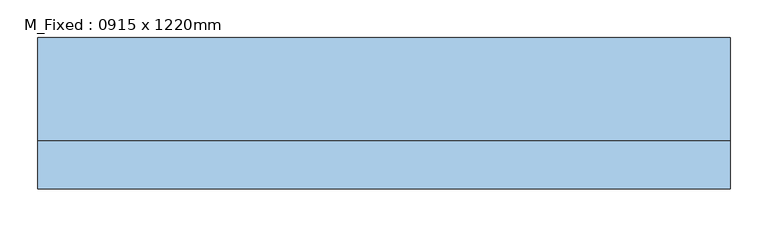
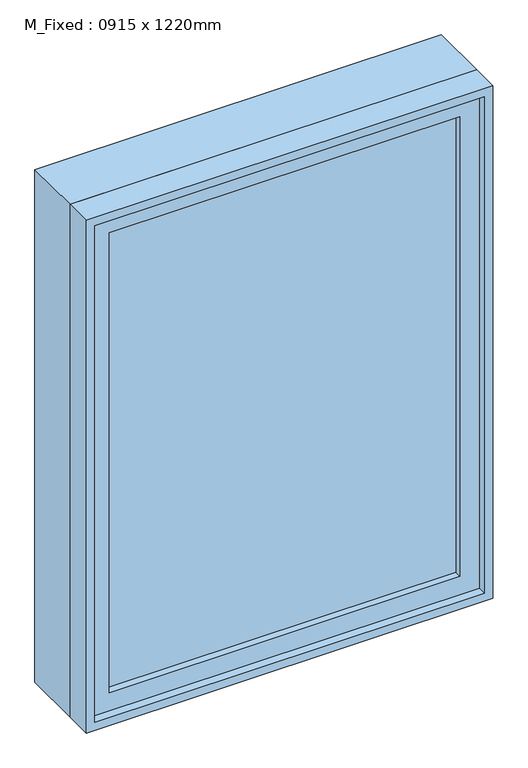
"""IFC4 building model written with IfcOpenShell, lengths in millimetres: window geometry, M_Fixed : 0915 x 1220mm."""

from ifc_helpers import new_model, si_unit, frame, origin, place, context, project, spatial, polyline, outline, extrude, source, transform, mapped, element, save


def m_fixed_0915_x_1220mm_5cd8e2eb(model_context):
    return source(origin(), model_context, "Body", "SweptSolid", [
        extrude(outline(polyline([(-394.5, -78.0), (-394.5, -66.0), (394.5, -66.0), (394.5, -78.0), (-394.5, -78.0)])), frame((0.0, 0.0, 978.0), z_axis=(0.0, 0.0, 1.0), x_axis=(1.0, 0.0, 0.0)), (0.0, 0.0, 1.0), 1094.0),
        extrude(outline(polyline([(2116.0, -438.5), (934.0, -438.5), (934.0, 438.5), (2116.0, 438.5), (2116.0, -438.5)]), holes=[polyline([(2072.0, -394.5), (2072.0, 394.5), (978.0, 394.5), (978.0, -394.5), (2072.0, -394.5)])]), frame((0.0, -94.0, 0.0), z_axis=(0.0, 1.0, 0.0), x_axis=(0.0, 0.0, 1.0)), (0.0, 0.0, 1.0), 44.0),
        extrude(outline(polyline([(2135.0, -457.5), (915.0, -457.5), (915.0, 457.5), (2135.0, 457.5), (2135.0, -457.5)]), holes=[polyline([(2116.0, -438.5), (2116.0, 438.5), (934.0, 438.5), (934.0, -438.5), (2116.0, -438.5)])]), frame((0.0, -113.0, 0.0), z_axis=(0.0, 1.0, 0.0), x_axis=(0.0, 0.0, 1.0)), (0.0, 0.0, 1.0), 63.0),
        extrude(outline(polyline([(2135.0, -457.5), (915.0, -457.5), (915.0, 457.5), (2135.0, 457.5), (2135.0, -457.5)]), holes=[polyline([(2103.0, -425.5), (2103.0, 425.5), (947.0, 425.5), (947.0, -425.5), (2103.0, -425.5)])]), frame((0.0, -50.0, 0.0), z_axis=(0.0, 1.0, 0.0), x_axis=(0.0, 0.0, 1.0)), (0.0, 0.0, 1.0), 137.0),
    ])


if __name__ == "__main__":
    model = new_model("IFC4")
    model_context = context("Model", 3, world=origin())
    ifc_project = project(units=[si_unit("LENGTHUNIT", "METRE", prefix="MILLI")], contexts=[model_context])
    site = spatial("IfcSite", under=ifc_project)
    building = spatial("IfcBuilding", under=site)
    placement = place(None, origin())
    m_fixed_0915_x_1220mm_shape = m_fixed_0915_x_1220mm_5cd8e2eb(model_context)
    element("IfcWindow", 1, ObjectType="M_Fixed : 0915 x 1220mm", at=placement, inside=building, context=model_context, shape_type="MappedRepresentation", body=[
        mapped(m_fixed_0915_x_1220mm_shape, transform((0.0, 0.0, 0.0), x_axis=(1.0, 0.0, 0.0), y_axis=(0.0, 1.0, 0.0), z_axis=(0.0, 0.0, 1.0))),
    ])
    save(model, "model.ifc")
